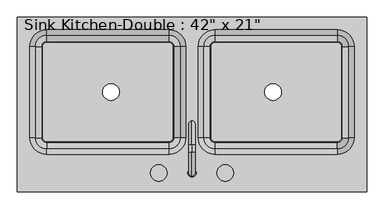
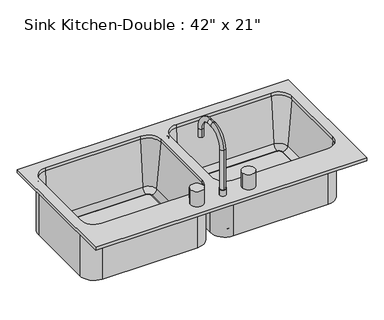
"""IFC4 building model written with IfcOpenShell, lengths in millimetres: flow terminal geometry."""

from ifc_helpers import new_model, si_unit, point, frame, frame_2d, origin, place, context, project, spatial, polyline, circle_curve, ellipse_curve, trimmed, segment, composite_curve, outline, extrude, source, transform, mapped, element, save
from ifc_brep_helpers import plane_surface, cylinder_surface, revolved_surface, advanced_brep


def flow_terminal_90aa15ff(model_context):
    return source(origin(), model_context, "Body", "SolidModel", [
        advanced_brep(
        [(2.9892406, -211.8954011, 952.5), (28.3892406, -211.8954011, 952.5), (15.6892406, -221.4204011, 952.5), (15.6892406, -202.3704011, 952.5), (28.3892406, -211.8954011, 927.1), (2.9892406, -211.8954011, 927.1), (15.6892406, -221.4204011, 1114.425), (15.6892406, -202.3704011, 1114.425), (15.6892406, -148.3954011, 1168.4), (15.6892406, -148.3954011, 1187.45), (15.6892406, -126.1704011, 1168.4), (15.6892406, -126.1704011, 1187.45), (15.6892406, -72.1954011, 1114.425), (15.6892406, -53.1454011, 1114.425), (15.6892406, -53.1454011, 1079.5), (15.6892406, -72.1954011, 1079.5)],
        [
            (0, 1, circle_curve(frame((15.6892406, -211.8954011, 952.5), z_axis=(0.0, 0.0, 1.0), x_axis=(1.0, 0.0, 0.0)), 12.7)),
            (1, 0, circle_curve(frame((15.6892406, -211.8954011, 952.5), z_axis=(0.0, 0.0, 1.0), x_axis=(1.0, 0.0, 0.0)), 12.7)),
            (2, 3, circle_curve(frame((15.6892406, -211.8954011, 952.5), z_axis=(0.0, 0.0, -1.0), x_axis=(0.0, 1.0, 0.0)), 9.525)),
            (3, 2, circle_curve(frame((15.6892406, -211.8954011, 952.5), z_axis=(0.0, 0.0, -1.0), x_axis=(0.0, 1.0, 0.0)), 9.525)),
            (1, 4),
            (4, 5, circle_curve(frame((15.6892406, -211.8954011, 927.1), z_axis=(0.0, 0.0, 1.0), x_axis=(1.0, 0.0, 0.0)), 12.7)),
            (5, 0),
            (5, 4, circle_curve(frame((15.6892406, -211.8954011, 927.1), z_axis=(0.0, 0.0, 1.0), x_axis=(1.0, 0.0, 0.0)), 12.7)),
            (6, 2),
            (3, 7),
            (7, 6, circle_curve(frame((15.6892406, -211.8954011, 1114.425), z_axis=(0.0, 0.0, -1.0), x_axis=(0.0, 1.0, 0.0)), 9.525)),
            (6, 7, circle_curve(frame((15.6892406, -211.8954011, 1114.425), z_axis=(0.0, 0.0, -1.0), x_axis=(0.0, 1.0, 0.0)), 9.525)),
            (7, 8, circle_curve(frame((15.6892406, -148.3954011, 1114.425), z_axis=(-1.0, 0.0, 0.0), x_axis=(0.0, -1.0, 0.0)), 53.975)),
            (8, 9, circle_curve(frame((15.6892406, -148.3954011, 1177.925), z_axis=(0.0, -1.0, 0.0), x_axis=(0.0, 0.0, -1.0)), 9.525)),
            (9, 6, circle_curve(frame((15.6892406, -148.3954011, 1114.425), z_axis=(1.0, 0.0, 0.0), x_axis=(0.0, -1.0, 0.0)), 73.025)),
            (9, 8, circle_curve(frame((15.6892406, -148.3954011, 1177.925), z_axis=(0.0, -1.0, 0.0), x_axis=(0.0, 0.0, -1.0)), 9.525)),
            (8, 10),
            (10, 11, circle_curve(frame((15.6892406, -126.1704011, 1177.925), z_axis=(0.0, -1.0, 0.0), x_axis=(0.0, 0.0, -1.0)), 9.525)),
            (11, 9),
            (11, 10, circle_curve(frame((15.6892406, -126.1704011, 1177.925), z_axis=(0.0, -1.0, 0.0), x_axis=(0.0, 0.0, -1.0)), 9.525)),
            (10, 12, circle_curve(frame((15.6892406, -126.1704011, 1114.425), z_axis=(-1.0, 0.0, 0.0), x_axis=(0.0, 0.0, 1.0)), 53.975)),
            (12, 13, circle_curve(frame((15.6892406, -62.6704011, 1114.425), z_axis=(0.0, 0.0, 1.0), x_axis=(0.0, -1.0, 0.0)), 9.525)),
            (13, 11, circle_curve(frame((15.6892406, -126.1704011, 1114.425), z_axis=(1.0, 0.0, 0.0), x_axis=(0.0, 0.0, 1.0)), 73.025)),
            (13, 12, circle_curve(frame((15.6892406, -62.6704011, 1114.425), z_axis=(0.0, 0.0, 1.0), x_axis=(0.0, -1.0, 0.0)), 9.525)),
            (14, 15, circle_curve(frame((15.6892406, -62.6704011, 1079.5), z_axis=(0.0, 0.0, -1.0), x_axis=(0.0, -1.0, 0.0)), 9.525)),
            (15, 14, circle_curve(frame((15.6892406, -62.6704011, 1079.5), z_axis=(0.0, 0.0, -1.0), x_axis=(0.0, -1.0, 0.0)), 9.525)),
            (12, 15),
            (14, 13),
        ],
        [
            plane_surface(frame((28.3892406, -211.8954011, 952.5), z_axis=(0.0, 0.0, 1.0), x_axis=(0.0, -1.0, 0.0))),
            cylinder_surface(frame((15.6892406, -211.8954011, 927.1), z_axis=(0.0, 0.0, 1.0), x_axis=(1.0, 0.0, 0.0)), 12.7),
            cylinder_surface(frame((15.6892406, -211.8954011, 927.1), z_axis=(0.0, 0.0, -1.0), x_axis=(0.0, 1.0, 0.0)), 9.525),
            revolved_surface(trimmed(ellipse_curve(frame((15.6892406, -211.8954011, 1114.425), z_axis=(0.0, 0.0, 1.0), x_axis=(0.0, 1.0, 0.0)), 9.525, 9.525), [point((15.6892406, -221.4204011, 1114.425))], [point((15.6892406, -202.3704011, 1114.425))], True, "CARTESIAN"), (15.6892406, -148.3954011, 1114.425), (1.0, 0.0, 0.0)),
            revolved_surface(trimmed(ellipse_curve(frame((15.6892406, -211.8954011, 1114.425), z_axis=(0.0, 0.0, 1.0), x_axis=(0.0, 1.0, 0.0)), 9.525, 9.525), [point((15.6892406, -202.3704011, 1114.425))], [point((15.6892406, -221.4204011, 1114.425))], True, "CARTESIAN"), (15.6892406, -148.3954011, 1114.425), (1.0, 0.0, 0.0)),
            cylinder_surface(frame((15.6892406, -148.3954011, 1177.925), z_axis=(0.0, -1.0, 0.0), x_axis=(0.0, 0.0, -1.0)), 9.525),
            revolved_surface(trimmed(ellipse_curve(frame((15.6892406, -126.1704011, 1177.925), z_axis=(0.0, 1.0, 0.0), x_axis=(0.0, 0.0, -1.0)), 9.525, 9.525), [point((15.6892406, -126.1704011, 1187.45))], [point((15.6892406, -126.1704011, 1168.4))], True, "CARTESIAN"), (15.6892406, -126.1704011, 1114.425), (1.0, 0.0, 0.0)),
            revolved_surface(trimmed(ellipse_curve(frame((15.6892406, -126.1704011, 1177.925), z_axis=(0.0, 1.0, 0.0), x_axis=(0.0, 0.0, -1.0)), 9.525, 9.525), [point((15.6892406, -126.1704011, 1168.4))], [point((15.6892406, -126.1704011, 1187.45))], True, "CARTESIAN"), (15.6892406, -126.1704011, 1114.425), (1.0, 0.0, 0.0)),
            plane_surface(frame((15.6892406, -53.1454011, 1079.5), z_axis=(0.0, 0.0, -1.0), x_axis=(-1.0, 0.0, 0.0))),
            cylinder_surface(frame((15.6892406, -62.6704011, 1114.425), z_axis=(0.0, 0.0, 1.0), x_axis=(0.0, -1.0, 0.0)), 9.525),
            plane_surface(frame((15.6892406, -202.3704011, 927.1), z_axis=(0.0, 0.0, -1.0), x_axis=(1.0, 0.0, 0.0))),
        ],
        [
            (0, [[1, 2], [3, 4]]),
            (1, [[5, 6, 7, -2]]),
            (1, [[-7, 8, -5, -1]]),
            (2, [[9, -4, 10, 11]]),
            (2, [[-10, -3, -9, 12]]),
            (3, [[13, 14, 15, -11]]),
            (4, [[-15, 16, -13, -12]]),
            (5, [[17, 18, 19, -14]]),
            (5, [[-19, 20, -17, -16]]),
            (6, [[21, 22, 23, -18]]),
            (7, [[-23, 24, -21, -20]]),
            (8, [[25, 26]]),
            (9, [[27, -25, 28, -22]]),
            (9, [[-28, -26, -27, -24]]),
            (10, [[-6, -8]]),
        ],
    ),
        advanced_brep(
        [(2.9892406, -103.9454011, 698.5), (2.9892406, -103.9454011, 914.4), (-54.1607594, -161.0954011, 914.4), (-54.1607594, -161.0954011, 698.5), (-54.1607594, -119.2338193, 708.025), (-54.1607594, -138.2113283, 725.4146831), (-19.8948322, -103.9454011, 725.4146831), (-38.8723412, -103.9454011, 708.025), (-54.1607594, -154.7454011, 914.4), (-3.3607594, -103.9454011, 914.4), (2.9892406, 175.4545989, 698.5), (2.9892406, 175.4545989, 914.4), (-19.8948322, 175.4545989, 725.4146831), (-38.8723412, 175.4545989, 708.025), (-3.3607594, 175.4545989, 914.4), (-54.1607594, 232.6045989, 698.5), (-54.1607594, 232.6045989, 914.4), (-54.1607594, 209.7205261, 725.4146831), (-54.1607594, 190.7430171, 708.025), (-54.1607594, 226.2545989, 914.4), (-428.8107594, 232.6045989, 698.5), (-428.8107594, 232.6045989, 914.4), (-428.8107594, 209.7205261, 725.4146831), (-428.8107594, 190.7430171, 708.025), (-428.8107594, 226.2545989, 914.4), (-485.9607594, 175.4545989, 698.5), (-485.9607594, 175.4545989, 914.4), (-463.0766866, 175.4545989, 725.4146831), (-444.0991776, 175.4545989, 708.025), (-479.6107594, 175.4545989, 914.4), (-485.9607594, -103.9454011, 698.5), (-485.9607594, -103.9454011, 914.4), (-463.0766866, -103.9454011, 725.4146831), (-444.0991776, -103.9454011, 708.025), (-479.6107594, -103.9454011, 914.4), (-428.8107594, -161.0954011, 698.5), (-428.8107594, -161.0954011, 914.4), (-428.8107594, -138.2113283, 725.4146831), (-428.8107594, -119.2338193, 708.025), (-428.8107594, -154.7454011, 914.4), (549.0892406, -269.0454011, 927.1), (549.0892406, 264.3545989, 927.1), (-517.7107594, 264.3545989, 927.1), (-517.7107594, -269.0454011, 927.1), (-54.1607594, -154.7454011, 927.1), (-428.8107594, -154.7454011, 927.1), (-479.6107594, -103.9454011, 927.1), (-479.6107594, 175.4545989, 927.1), (-428.8107594, 226.2545989, 927.1), (-54.1607594, 226.2545989, 927.1), (-3.3607594, 175.4545989, 927.1), (-3.3607594, -103.9454011, 927.1), (85.5392406, 226.2545989, 927.1), (460.1892406, 226.2545989, 927.1), (510.9892406, 175.4545989, 927.1), (510.9892406, -103.9454011, 927.1), (460.1892406, -154.7454011, 927.1), (85.5392406, -154.7454011, 927.1), (34.7392406, -103.9454011, 927.1), (34.7392406, 175.4545989, 927.1), (549.0892406, -269.0454011, 914.4), (-517.7107594, -269.0454011, 914.4), (-517.7107594, 264.3545989, 914.4), (549.0892406, 264.3545989, 914.4), (85.5392406, -161.0954011, 914.4), (460.1892406, -161.0954011, 914.4), (517.3392406, -103.9454011, 914.4), (517.3392406, 175.4545989, 914.4), (460.1892406, 232.6045989, 914.4), (85.5392406, 232.6045989, 914.4), (28.3892406, 175.4545989, 914.4), (28.3892406, -103.9454011, 914.4), (34.7392406, 175.4545989, 914.4), (85.5392406, 226.2545989, 914.4), (34.7392406, -103.9454011, 914.4), (85.5392406, -154.7454011, 914.4), (460.1892406, -154.7454011, 914.4), (510.9892406, -103.9454011, 914.4), (510.9892406, 175.4545989, 914.4), (460.1892406, 226.2545989, 914.4), (51.2733134, -103.9454011, 725.4146831), (85.5392406, -138.2113283, 725.4146831), (85.5392406, -119.2338193, 708.025), (70.2508224, -103.9454011, 708.025), (85.5392406, -116.6454011, 708.025), (72.8392406, -103.9454011, 708.025), (85.5392406, -116.6454011, 698.5), (85.5392406, -161.0954011, 698.5), (28.3892406, -103.9454011, 698.5), (72.8392406, -103.9454011, 698.5), (51.2733134, 175.4545989, 725.4146831), (70.2508224, 175.4545989, 708.025), (28.3892406, 175.4545989, 698.5), (85.5392406, 209.7205261, 725.4146831), (85.5392406, 190.7430171, 708.025), (85.5392406, 232.6045989, 698.5), (460.1892406, 209.7205261, 725.4146831), (460.1892406, 190.7430171, 708.025), (460.1892406, 232.6045989, 698.5), (494.4551678, 175.4545989, 725.4146831), (475.4776588, 175.4545989, 708.025), (517.3392406, 175.4545989, 698.5), (494.4551678, -103.9454011, 725.4146831), (475.4776588, -103.9454011, 708.025), (517.3392406, -103.9454011, 698.5), (460.1892406, -138.2113283, 725.4146831), (460.1892406, -119.2338193, 708.025), (460.1892406, -161.0954011, 698.5), (72.8392406, 175.4545989, 708.025), (72.8392406, 175.4545989, 698.5), (85.5392406, 188.1545989, 708.025), (85.5392406, 188.1545989, 698.5), (460.1892406, 188.1545989, 708.025), (460.1892406, 188.1545989, 698.5), (472.8892406, 175.4545989, 708.025), (472.8892406, 175.4545989, 698.5), (472.8892406, -103.9454011, 708.025), (472.8892406, -103.9454011, 698.5), (460.1892406, -116.6454011, 708.025), (460.1892406, -116.6454011, 698.5), (-54.1607594, -116.6454011, 698.5), (-41.4607594, -103.9454011, 698.5), (-54.1607594, -116.6454011, 708.025), (-41.4607594, -103.9454011, 708.025), (-41.4607594, 175.4545989, 698.5), (-41.4607594, 175.4545989, 708.025), (-54.1607594, 188.1545989, 698.5), (-54.1607594, 188.1545989, 708.025), (-428.8107594, 188.1545989, 698.5), (-428.8107594, 188.1545989, 708.025), (-441.5107594, 175.4545989, 698.5), (-441.5107594, 175.4545989, 708.025), (-441.5107594, -103.9454011, 698.5), (-441.5107594, -103.9454011, 708.025), (-428.8107594, -116.6454011, 698.5), (-428.8107594, -116.6454011, 708.025)],
        [
            (0, 1),
            (1, 2, circle_curve(frame((-54.1607594, -103.9454011, 914.4), z_axis=(0.0, 0.0, -1.0), x_axis=(0.0, -1.0, 0.0)), 57.15)),
            (2, 3),
            (3, 0, circle_curve(frame((-54.1607594, -103.9454011, 698.5), z_axis=(0.0, 0.0, 1.0), x_axis=(0.0, -1.0, 0.0)), 57.15)),
            (4, 5, circle_curve(frame((-54.1607594, -119.2338193, 727.075), z_axis=(-1.0, 0.0, 0.0), x_axis=(0.0, -1.0, 0.0)), 19.05)),
            (5, 6, circle_curve(frame((-54.1607594, -103.9454011, 725.4146831), z_axis=(0.0, 0.0, 1.0), x_axis=(0.0, -1.0, 0.0)), 34.2659272)),
            (6, 7, circle_curve(frame((-38.8723412, -103.9454011, 727.075), z_axis=(0.0, 1.0, 0.0), x_axis=(1.0, 0.0, 0.0)), 19.05)),
            (7, 4, circle_curve(frame((-54.1607594, -103.9454011, 708.025), z_axis=(0.0, 0.0, -1.0), x_axis=(0.0, -1.0, 0.0)), 15.2884182)),
            (5, 8),
            (8, 9, circle_curve(frame((-54.1607594, -103.9454011, 914.4), z_axis=(0.0, 0.0, 1.0), x_axis=(0.0, -1.0, 0.0)), 50.8)),
            (9, 6),
            (0, 10),
            (10, 11),
            (11, 1),
            (6, 12),
            (12, 13, circle_curve(frame((-38.8723412, 175.4545989, 727.075), z_axis=(0.0, 1.0, 0.0), x_axis=(1.0, 0.0, 0.0)), 19.05)),
            (13, 7),
            (9, 14),
            (14, 12),
            (10, 15, circle_curve(frame((-54.1607594, 175.4545989, 698.5), z_axis=(0.0, 0.0, 1.0), x_axis=(1.0, 0.0, 0.0)), 57.15)),
            (15, 16),
            (16, 11, circle_curve(frame((-54.1607594, 175.4545989, 914.4), z_axis=(0.0, 0.0, -1.0), x_axis=(1.0, 0.0, 0.0)), 57.15)),
            (12, 17, circle_curve(frame((-54.1607594, 175.4545989, 725.4146831), z_axis=(0.0, 0.0, 1.0), x_axis=(1.0, 0.0, 0.0)), 34.2659272)),
            (17, 18, circle_curve(frame((-54.1607594, 190.7430171, 727.075), z_axis=(-1.0, 0.0, 0.0), x_axis=(0.0, 1.0, 0.0)), 19.05)),
            (18, 13, circle_curve(frame((-54.1607594, 175.4545989, 708.025), z_axis=(0.0, 0.0, -1.0), x_axis=(1.0, 0.0, 0.0)), 15.2884182)),
            (14, 19, circle_curve(frame((-54.1607594, 175.4545989, 914.4), z_axis=(0.0, 0.0, 1.0), x_axis=(1.0, 0.0, 0.0)), 50.8)),
            (19, 17),
            (15, 20),
            (20, 21),
            (21, 16),
            (17, 22),
            (22, 23, circle_curve(frame((-428.8107594, 190.7430171, 727.075), z_axis=(-1.0, 0.0, 0.0), x_axis=(0.0, 1.0, 0.0)), 19.05)),
            (23, 18),
            (19, 24),
            (24, 22),
            (20, 25, circle_curve(frame((-428.8107594, 175.4545989, 698.5), z_axis=(0.0, 0.0, 1.0), x_axis=(0.0, 1.0, 0.0)), 57.15)),
            (25, 26),
            (26, 21, circle_curve(frame((-428.8107594, 175.4545989, 914.4), z_axis=(0.0, 0.0, -1.0), x_axis=(0.0, 1.0, 0.0)), 57.15)),
            (22, 27, circle_curve(frame((-428.8107594, 175.4545989, 725.4146831), z_axis=(0.0, 0.0, 1.0), x_axis=(0.0, 1.0, 0.0)), 34.2659272)),
            (27, 28, circle_curve(frame((-444.0991776, 175.4545989, 727.075), z_axis=(0.0, -1.0, 0.0), x_axis=(-1.0, 0.0, 0.0)), 19.05)),
            (28, 23, circle_curve(frame((-428.8107594, 175.4545989, 708.025), z_axis=(0.0, 0.0, -1.0), x_axis=(0.0, 1.0, 0.0)), 15.2884182)),
            (24, 29, circle_curve(frame((-428.8107594, 175.4545989, 914.4), z_axis=(0.0, 0.0, 1.0), x_axis=(0.0, 1.0, 0.0)), 50.8)),
            (29, 27),
            (25, 30),
            (30, 31),
            (31, 26),
            (27, 32),
            (32, 33, circle_curve(frame((-444.0991776, -103.9454011, 727.075), z_axis=(0.0, -1.0, 0.0), x_axis=(-1.0, 0.0, 0.0)), 19.05)),
            (33, 28),
            (29, 34),
            (34, 32),
            (30, 35, circle_curve(frame((-428.8107594, -103.9454011, 698.5), z_axis=(0.0, 0.0, 1.0), x_axis=(-1.0, 0.0, 0.0)), 57.15)),
            (35, 36),
            (36, 31, circle_curve(frame((-428.8107594, -103.9454011, 914.4), z_axis=(0.0, 0.0, -1.0), x_axis=(-1.0, 0.0, 0.0)), 57.15)),
            (32, 37, circle_curve(frame((-428.8107594, -103.9454011, 725.4146831), z_axis=(0.0, 0.0, 1.0), x_axis=(-1.0, 0.0, 0.0)), 34.2659272)),
            (37, 38, circle_curve(frame((-428.8107594, -119.2338193, 727.075), z_axis=(1.0, 0.0, 0.0), x_axis=(0.0, -1.0, 0.0)), 19.05)),
            (38, 33, circle_curve(frame((-428.8107594, -103.9454011, 708.025), z_axis=(0.0, 0.0, -1.0), x_axis=(-1.0, 0.0, 0.0)), 15.2884182)),
            (34, 39, circle_curve(frame((-428.8107594, -103.9454011, 914.4), z_axis=(0.0, 0.0, 1.0), x_axis=(-1.0, 0.0, 0.0)), 50.8)),
            (39, 37),
            (2, 36),
            (35, 3),
            (4, 38),
            (37, 5),
            (39, 8),
            (40, 41),
            (41, 42),
            (42, 43),
            (43, 40),
            (44, 45),
            (45, 46, circle_curve(frame((-428.8107594, -103.9454011, 927.1), z_axis=(0.0, 0.0, -1.0), x_axis=(1.0, 0.0, 0.0)), 50.8)),
            (46, 47),
            (47, 48, circle_curve(frame((-428.8107594, 175.4545989, 927.1), z_axis=(0.0, 0.0, -1.0), x_axis=(1.0, 0.0, 0.0)), 50.8)),
            (48, 49),
            (49, 50, circle_curve(frame((-54.1607594, 175.4545989, 927.1), z_axis=(0.0, 0.0, -1.0), x_axis=(1.0, 0.0, 0.0)), 50.8)),
            (50, 51),
            (51, 44, circle_curve(frame((-54.1607594, -103.9454011, 927.1), z_axis=(0.0, 0.0, -1.0), x_axis=(1.0, 0.0, 0.0)), 50.8)),
            (52, 53),
            (53, 54, circle_curve(frame((460.1892406, 175.4545989, 927.1), z_axis=(0.0, 0.0, -1.0), x_axis=(1.0, 0.0, 0.0)), 50.8)),
            (54, 55),
            (55, 56, circle_curve(frame((460.1892406, -103.9454011, 927.1), z_axis=(0.0, 0.0, -1.0), x_axis=(1.0, 0.0, 0.0)), 50.8)),
            (56, 57),
            (57, 58, circle_curve(frame((85.5392406, -103.9454011, 927.1), z_axis=(0.0, 0.0, -1.0), x_axis=(1.0, 0.0, 0.0)), 50.8)),
            (58, 59),
            (59, 52, circle_curve(frame((85.5392406, 175.4545989, 927.1), z_axis=(0.0, 0.0, -1.0), x_axis=(1.0, 0.0, 0.0)), 50.8)),
            (60, 61),
            (61, 62),
            (62, 63),
            (63, 60),
            (64, 65),
            (65, 66, circle_curve(frame((460.1892406, -103.9454011, 914.4), z_axis=(0.0, 0.0, 1.0), x_axis=(1.0, 0.0, 0.0)), 57.15)),
            (66, 67),
            (67, 68, circle_curve(frame((460.1892406, 175.4545989, 914.4), z_axis=(0.0, 0.0, 1.0), x_axis=(0.0, 1.0, 0.0)), 57.15)),
            (68, 69),
            (69, 70, circle_curve(frame((85.5392406, 175.4545989, 914.4), z_axis=(0.0, 0.0, 1.0), x_axis=(-1.0, 0.0, 0.0)), 57.15)),
            (70, 71),
            (71, 64, circle_curve(frame((85.5392406, -103.9454011, 914.4), z_axis=(0.0, 0.0, 1.0), x_axis=(0.0, -1.0, 0.0)), 57.15)),
            (43, 61),
            (60, 40),
            (42, 62),
            (41, 63),
            (51, 9),
            (8, 44),
            (50, 14),
            (49, 19),
            (48, 24),
            (47, 29),
            (46, 34),
            (45, 39),
            (59, 72),
            (72, 73, circle_curve(frame((85.5392406, 175.4545989, 914.4), z_axis=(0.0, 0.0, -1.0), x_axis=(1.0, 0.0, 0.0)), 50.8)),
            (73, 52),
            (58, 74),
            (74, 72),
            (57, 75),
            (75, 74, circle_curve(frame((85.5392406, -103.9454011, 914.4), z_axis=(0.0, 0.0, -1.0), x_axis=(1.0, 0.0, 0.0)), 50.8)),
            (56, 76),
            (76, 75),
            (55, 77),
            (77, 76, circle_curve(frame((460.1892406, -103.9454011, 914.4), z_axis=(0.0, 0.0, -1.0), x_axis=(1.0, 0.0, 0.0)), 50.8)),
            (54, 78),
            (78, 77),
            (53, 79),
            (79, 78, circle_curve(frame((460.1892406, 175.4545989, 914.4), z_axis=(0.0, 0.0, -1.0), x_axis=(1.0, 0.0, 0.0)), 50.8)),
            (73, 79),
            (80, 74),
            (75, 81),
            (81, 80, circle_curve(frame((85.5392406, -103.9454011, 725.4146831), z_axis=(0.0, 0.0, -1.0), x_axis=(0.0, -1.0, 0.0)), 34.2659272)),
            (81, 82, circle_curve(frame((85.5392406, -119.2338193, 727.075), z_axis=(1.0, 0.0, 0.0), x_axis=(0.0, 1.0, 0.0)), 19.05)),
            (82, 83, circle_curve(frame((85.5392406, -103.9454011, 708.025), z_axis=(0.0, 0.0, -1.0), x_axis=(0.0, -1.0, 0.0)), 15.2884182)),
            (83, 80, circle_curve(frame((70.2508224, -103.9454011, 727.075), z_axis=(0.0, 1.0, 0.0), x_axis=(1.0, 0.0, 0.0)), 19.05)),
            (82, 84),
            (84, 85, circle_curve(frame((85.5392406, -103.9454011, 708.025), z_axis=(0.0, 0.0, -1.0), x_axis=(0.0, -1.0, 0.0)), 12.7)),
            (85, 83),
            (86, 87),
            (87, 88, circle_curve(frame((85.5392406, -103.9454011, 698.5), z_axis=(0.0, 0.0, -1.0), x_axis=(0.0, -1.0, 0.0)), 57.15)),
            (88, 89),
            (89, 86, circle_curve(frame((85.5392406, -103.9454011, 698.5), z_axis=(0.0, 0.0, 1.0), x_axis=(0.0, -1.0, 0.0)), 12.7)),
            (87, 64),
            (71, 88),
            (80, 90),
            (90, 72),
            (83, 91),
            (91, 90, circle_curve(frame((70.2508224, 175.4545989, 727.075), z_axis=(0.0, 1.0, 0.0), x_axis=(1.0, 0.0, 0.0)), 19.05)),
            (70, 92),
            (92, 88),
            (90, 93, circle_curve(frame((85.5392406, 175.4545989, 725.4146831), z_axis=(0.0, 0.0, -1.0), x_axis=(-1.0, 0.0, 0.0)), 34.2659272)),
            (93, 73),
            (91, 94, circle_curve(frame((85.5392406, 175.4545989, 708.025), z_axis=(0.0, 0.0, -1.0), x_axis=(-1.0, 0.0, 0.0)), 15.2884182)),
            (94, 93, circle_curve(frame((85.5392406, 190.7430171, 727.075), z_axis=(1.0, 0.0, 0.0), x_axis=(0.0, -1.0, 0.0)), 19.05)),
            (69, 95),
            (95, 92, circle_curve(frame((85.5392406, 175.4545989, 698.5), z_axis=(0.0, 0.0, 1.0), x_axis=(-1.0, 0.0, 0.0)), 57.15)),
            (93, 96),
            (96, 79),
            (94, 97),
            (97, 96, circle_curve(frame((460.1892406, 190.7430171, 727.075), z_axis=(1.0, 0.0, 0.0), x_axis=(0.0, -1.0, 0.0)), 19.05)),
            (68, 98),
            (98, 95),
            (96, 99, circle_curve(frame((460.1892406, 175.4545989, 725.4146831), z_axis=(0.0, 0.0, -1.0), x_axis=(0.0, 1.0, 0.0)), 34.2659272)),
            (99, 78),
            (97, 100, circle_curve(frame((460.1892406, 175.4545989, 708.025), z_axis=(0.0, 0.0, -1.0), x_axis=(0.0, 1.0, 0.0)), 15.2884182)),
            (100, 99, circle_curve(frame((475.4776588, 175.4545989, 727.075), z_axis=(0.0, -1.0, 0.0), x_axis=(-1.0, 0.0, 0.0)), 19.05)),
            (67, 101),
            (101, 98, circle_curve(frame((460.1892406, 175.4545989, 698.5), z_axis=(0.0, 0.0, 1.0), x_axis=(0.0, 1.0, 0.0)), 57.15)),
            (99, 102),
            (102, 77),
            (100, 103),
            (103, 102, circle_curve(frame((475.4776588, -103.9454011, 727.075), z_axis=(0.0, -1.0, 0.0), x_axis=(-1.0, 0.0, 0.0)), 19.05)),
            (66, 104),
            (104, 101),
            (102, 105, circle_curve(frame((460.1892406, -103.9454011, 725.4146831), z_axis=(0.0, 0.0, -1.0), x_axis=(1.0, 0.0, 0.0)), 34.2659272)),
            (105, 76),
            (103, 106, circle_curve(frame((460.1892406, -103.9454011, 708.025), z_axis=(0.0, 0.0, -1.0), x_axis=(1.0, 0.0, 0.0)), 15.2884182)),
            (106, 105, circle_curve(frame((460.1892406, -119.2338193, 727.075), z_axis=(-1.0, 0.0, 0.0), x_axis=(0.0, 1.0, 0.0)), 19.05)),
            (65, 107),
            (107, 104, circle_curve(frame((460.1892406, -103.9454011, 698.5), z_axis=(0.0, 0.0, 1.0), x_axis=(1.0, 0.0, 0.0)), 57.15)),
            (105, 81),
            (106, 82),
            (87, 107),
            (84, 86),
            (89, 85),
            (85, 108),
            (108, 91),
            (89, 109),
            (109, 108),
            (92, 109),
            (108, 110, circle_curve(frame((85.5392406, 175.4545989, 708.025), z_axis=(0.0, 0.0, -1.0), x_axis=(-1.0, 0.0, 0.0)), 12.7)),
            (110, 94),
            (109, 111, circle_curve(frame((85.5392406, 175.4545989, 698.5), z_axis=(0.0, 0.0, -1.0), x_axis=(-1.0, 0.0, 0.0)), 12.7)),
            (111, 110),
            (95, 111),
            (110, 112),
            (112, 97),
            (111, 113),
            (113, 112),
            (98, 113),
            (112, 114, circle_curve(frame((460.1892406, 175.4545989, 708.025), z_axis=(0.0, 0.0, -1.0), x_axis=(0.0, 1.0, 0.0)), 12.7)),
            (114, 100),
            (113, 115, circle_curve(frame((460.1892406, 175.4545989, 698.5), z_axis=(0.0, 0.0, -1.0), x_axis=(0.0, 1.0, 0.0)), 12.7)),
            (115, 114),
            (101, 115),
            (114, 116),
            (116, 103),
            (115, 117),
            (117, 116),
            (104, 117),
            (116, 118, circle_curve(frame((460.1892406, -103.9454011, 708.025), z_axis=(0.0, 0.0, -1.0), x_axis=(1.0, 0.0, 0.0)), 12.7)),
            (118, 106),
            (117, 119, circle_curve(frame((460.1892406, -103.9454011, 698.5), z_axis=(0.0, 0.0, -1.0), x_axis=(1.0, 0.0, 0.0)), 12.7)),
            (119, 118),
            (107, 119),
            (118, 84),
            (119, 86),
            (3, 120),
            (120, 121, circle_curve(frame((-54.1607594, -103.9454011, 698.5), z_axis=(0.0, 0.0, 1.0), x_axis=(0.0, -1.0, 0.0)), 12.7)),
            (121, 0),
            (120, 122),
            (122, 123, circle_curve(frame((-54.1607594, -103.9454011, 708.025), z_axis=(0.0, 0.0, 1.0), x_axis=(0.0, -1.0, 0.0)), 12.7)),
            (123, 121),
            (122, 4),
            (7, 123),
            (121, 124),
            (124, 10),
            (123, 125),
            (125, 124),
            (13, 125),
            (124, 126, circle_curve(frame((-54.1607594, 175.4545989, 698.5), z_axis=(0.0, 0.0, 1.0), x_axis=(1.0, 0.0, 0.0)), 12.7)),
            (126, 15),
            (125, 127, circle_curve(frame((-54.1607594, 175.4545989, 708.025), z_axis=(0.0, 0.0, 1.0), x_axis=(1.0, 0.0, 0.0)), 12.7)),
            (127, 126),
            (18, 127),
            (126, 128),
            (128, 20),
            (127, 129),
            (129, 128),
            (23, 129),
            (128, 130, circle_curve(frame((-428.8107594, 175.4545989, 698.5), z_axis=(0.0, 0.0, 1.0), x_axis=(0.0, 1.0, 0.0)), 12.7)),
            (130, 25),
            (129, 131, circle_curve(frame((-428.8107594, 175.4545989, 708.025), z_axis=(0.0, 0.0, 1.0), x_axis=(0.0, 1.0, 0.0)), 12.7)),
            (131, 130),
            (28, 131),
            (130, 132),
            (132, 30),
            (131, 133),
            (133, 132),
            (33, 133),
            (132, 134, circle_curve(frame((-428.8107594, -103.9454011, 698.5), z_axis=(0.0, 0.0, 1.0), x_axis=(-1.0, 0.0, 0.0)), 12.7)),
            (134, 35),
            (133, 135, circle_curve(frame((-428.8107594, -103.9454011, 708.025), z_axis=(0.0, 0.0, 1.0), x_axis=(-1.0, 0.0, 0.0)), 12.7)),
            (135, 134),
            (38, 135),
            (134, 120),
            (135, 122),
        ],
        [
            cylinder_surface(frame((-54.1607594, -103.9454011, 0.0), z_axis=(0.0, 0.0, -1.0), x_axis=(0.0, -1.0, 0.0)), 57.15),
            revolved_surface(trimmed(ellipse_curve(frame((-54.1607594, -119.2338193, 727.075), z_axis=(-1.0, 0.0, 0.0), x_axis=(0.0, -1.0, 0.0)), 19.05, 19.05), [point((-54.1607594, -119.2338193, 708.025))], [point((-54.1607594, -138.2113283, 725.4146831))], True, "CARTESIAN"), (-54.1607594, -103.9454011, 0.0), (0.0, 0.0, -1.0)),
            revolved_surface(polyline([(-54.1607594, -138.2113283, 725.4146831), (-54.1607594, -154.7454011, 914.4)]), (-54.1607594, -103.9454011, 0.0), (0.0, 0.0, -1.0)),
            plane_surface(frame((2.9892406, -103.9454011, 914.4), z_axis=(1.0, 0.0, 0.0), x_axis=(0.0, 1.0, 0.0))),
            revolved_surface(polyline([(-19.8223412, 175.45459889999998, 727.075), (-19.8223412, -103.9454011, 727.075)]), (-38.8723412, -103.9454011, 727.075), (0.0, 1.0, 0.0)),
            plane_surface(frame((-19.8948322, -103.9454011, 725.4146831), z_axis=(-0.9961946980917439, 0.0, 0.08715574274767722), x_axis=(0.0, 1.0, 0.0))),
            cylinder_surface(frame((-54.1607594, 175.4545989, 0.0), z_axis=(0.0, 0.0, -1.0), x_axis=(1.0, 0.0, 0.0)), 57.15),
            revolved_surface(trimmed(ellipse_curve(frame((-38.8723412, 175.4545989, 727.075), z_axis=(0.0, -1.0, 0.0), x_axis=(1.0, 0.0, 0.0)), 19.05, 19.05), [point((-38.8723412, 175.4545989, 708.025))], [point((-19.8948322, 175.4545989, 725.4146831))], True, "CARTESIAN"), (-54.1607594, 175.4545989, 0.0), (0.0, 0.0, -1.0)),
            revolved_surface(polyline([(-19.8948322, 175.4545989, 725.4146831), (-3.3607594, 175.4545989, 914.4)]), (-54.1607594, 175.4545989, 0.0), (0.0, 0.0, -1.0)),
            plane_surface(frame((-54.1607594, 232.6045989, 914.4), z_axis=(0.0, 1.0, 0.0), x_axis=(-1.0, 0.0, 0.0))),
            revolved_surface(polyline([(-428.8107594, 209.79301710000001, 727.075), (-54.1607594, 209.79301710000001, 727.075)]), (-54.1607594, 190.7430171, 727.075), (-1.0, 0.0, 0.0)),
            plane_surface(frame((-54.1607594, 209.7205261, 725.4146831), z_axis=(0.0, -0.9961946980917439, 0.08715574274767722), x_axis=(-1.0, 0.0, 0.0))),
            cylinder_surface(frame((-428.8107594, 175.4545989, 0.0), z_axis=(0.0, 0.0, -1.0), x_axis=(0.0, 1.0, 0.0)), 57.15),
            revolved_surface(trimmed(ellipse_curve(frame((-428.8107594, 190.7430171, 727.075), z_axis=(1.0, 0.0, 0.0), x_axis=(0.0, 1.0, 0.0)), 19.05, 19.05), [point((-428.8107594, 190.7430171, 708.025))], [point((-428.8107594, 209.7205261, 725.4146831))], True, "CARTESIAN"), (-428.8107594, 175.4545989, 0.0), (0.0, 0.0, -1.0)),
            revolved_surface(polyline([(-428.8107594, 209.7205261, 725.4146831), (-428.8107594, 226.2545989, 914.4)]), (-428.8107594, 175.4545989, 0.0), (0.0, 0.0, -1.0)),
            plane_surface(frame((-485.9607594, 175.4545989, 914.4), z_axis=(-1.0, 0.0, 0.0), x_axis=(0.0, -1.0, 0.0))),
            revolved_surface(polyline([(-463.14917760000003, -103.94540109999997, 727.075), (-463.14917760000003, 175.4545989, 727.075)]), (-444.0991776, 175.4545989, 727.075), (0.0, -1.0, 0.0)),
            plane_surface(frame((-463.0766866, 175.4545989, 725.4146831), z_axis=(0.9961946980917439, 0.0, 0.08715574274767722), x_axis=(0.0, -1.0, 0.0))),
            cylinder_surface(frame((-428.8107594, -103.9454011, 0.0), z_axis=(0.0, 0.0, -1.0), x_axis=(-1.0, 0.0, 0.0)), 57.15),
            revolved_surface(trimmed(ellipse_curve(frame((-444.0991776, -103.9454011, 727.075), z_axis=(0.0, 1.0, 0.0), x_axis=(-1.0, 0.0, 0.0)), 19.05, 19.05), [point((-444.0991776, -103.9454011, 708.025))], [point((-463.0766866, -103.9454011, 725.4146831))], True, "CARTESIAN"), (-428.8107594, -103.9454011, 0.0), (0.0, 0.0, -1.0)),
            revolved_surface(polyline([(-463.0766866, -103.9454011, 725.4146831), (-479.6107594, -103.9454011, 914.4)]), (-428.8107594, -103.9454011, 0.0), (0.0, 0.0, -1.0)),
            plane_surface(frame((-428.8107594, -161.0954011, 914.4), z_axis=(0.0, -1.0, 0.0), x_axis=(1.0, 0.0, 0.0))),
            revolved_surface(polyline([(-54.16075940000002, -138.2838193, 727.075), (-428.8107594, -138.2838193, 727.075)]), (-428.8107594, -119.2338193, 727.075), (1.0, 0.0, 0.0)),
            plane_surface(frame((-428.8107594, -138.2113283, 725.4146831), z_axis=(0.0, 0.9961946980917439, 0.08715574274767722), x_axis=(1.0, 0.0, 0.0))),
            plane_surface(frame((-517.7107594, -269.0454011, 927.1), z_axis=(0.0, 0.0, 1.0), x_axis=(-1.0, 0.0, 0.0))),
            plane_surface(frame((-517.7107594, -269.0454011, 914.4), z_axis=(0.0, 0.0, -1.0), x_axis=(1.0, 0.0, 0.0))),
            plane_surface(frame((549.0892406, -269.0454011, 927.1), z_axis=(0.0, -1.0, 0.0), x_axis=(0.0, 0.0, -1.0))),
            plane_surface(frame((-517.7107594, -269.0454011, 927.1), z_axis=(-1.0, 0.0, 0.0), x_axis=(0.0, 0.0, -1.0))),
            plane_surface(frame((-517.7107594, 264.3545989, 927.1), z_axis=(0.0, 1.0, 0.0), x_axis=(0.0, 0.0, -1.0))),
            plane_surface(frame((549.0892406, 264.3545989, 927.1), z_axis=(1.0, 0.0, 0.0), x_axis=(0.0, 0.0, -1.0))),
            revolved_surface(polyline([(-3.3607594000000063, -103.9454011, 914.4), (-3.3607594000000063, -103.9454011, 927.1)]), (-54.1607594, -103.9454011, 0.0), (0.0, 0.0, -1.0)),
            plane_surface(frame((-3.3607594, -103.9454011, 927.1), z_axis=(-1.0, 0.0, 0.0), x_axis=(0.0, 0.0, -1.0))),
            revolved_surface(polyline([(-3.3607594000000063, 175.4545989, 914.4), (-3.3607594000000063, 175.4545989, 927.1)]), (-54.1607594, 175.4545989, 0.0), (0.0, 0.0, -1.0)),
            plane_surface(frame((-54.1607594, 226.2545989, 927.1), z_axis=(0.0, -1.0, 0.0), x_axis=(0.0, 0.0, -1.0))),
            revolved_surface(polyline([(-378.0107594, 175.4545989, 914.4), (-378.0107594, 175.4545989, 927.1)]), (-428.8107594, 175.4545989, 0.0), (0.0, 0.0, -1.0)),
            plane_surface(frame((-479.6107594, 175.4545989, 927.1), z_axis=(1.0, 0.0, 0.0), x_axis=(0.0, 0.0, -1.0))),
            revolved_surface(polyline([(-378.0107594, -103.9454011, 914.4), (-378.0107594, -103.9454011, 927.1)]), (-428.8107594, -103.9454011, 0.0), (0.0, 0.0, -1.0)),
            plane_surface(frame((-428.8107594, -154.7454011, 927.1), z_axis=(0.0, 1.0, 0.0), x_axis=(0.0, 0.0, -1.0))),
            revolved_surface(polyline([(136.33924059999998, 175.4545989, 914.4), (136.33924059999998, 175.4545989, 927.1)]), (85.5392406, 175.4545989, 0.0), (0.0, 0.0, -1.0)),
            plane_surface(frame((34.7392406, 175.4545989, 927.1), z_axis=(1.0, 0.0, 0.0), x_axis=(0.0, 0.0, -1.0))),
            revolved_surface(polyline([(136.33924059999998, -103.9454011, 914.4), (136.33924059999998, -103.9454011, 927.1)]), (85.5392406, -103.9454011, 0.0), (0.0, 0.0, -1.0)),
            plane_surface(frame((85.5392406, -154.7454011, 927.1), z_axis=(0.0, 1.0, 0.0), x_axis=(0.0, 0.0, -1.0))),
            revolved_surface(polyline([(510.9892406, -103.9454011, 914.4), (510.9892406, -103.9454011, 927.1)]), (460.1892406, -103.9454011, 0.0), (0.0, 0.0, -1.0)),
            plane_surface(frame((510.9892406, -103.9454011, 927.1), z_axis=(-1.0, 0.0, 0.0), x_axis=(0.0, 0.0, -1.0))),
            revolved_surface(polyline([(510.9892406, 175.4545989, 914.4), (510.9892406, 175.4545989, 927.1)]), (460.1892406, 175.4545989, 0.0), (0.0, 0.0, -1.0)),
            plane_surface(frame((460.1892406, 226.2545989, 927.1), z_axis=(0.0, -1.0, 0.0), x_axis=(0.0, 0.0, -1.0))),
            revolved_surface(polyline([(85.5392406, -154.7454011, 914.4), (85.5392406, -138.2113283, 725.4146831)]), (85.5392406, -103.9454011, 0.0), (0.0, 0.0, 1.0)),
            revolved_surface(trimmed(ellipse_curve(frame((85.5392406, -119.2338193, 727.075), z_axis=(1.0, 0.0, 0.0), x_axis=(0.0, 1.0, 0.0)), 19.05, 19.05), [point((85.5392406, -138.2113283, 725.4146831))], [point((85.5392406, -119.2338193, 708.025))], True, "CARTESIAN"), (85.5392406, -103.9454011, 0.0), (0.0, 0.0, 1.0)),
            plane_surface(frame((85.5392406, -103.9454011, 708.025), z_axis=(0.0, 0.0, 1.0), x_axis=(0.0, -1.0, 0.0))),
            plane_surface(frame((85.5392406, -103.9454011, 698.5), z_axis=(0.0, 0.0, -1.0), x_axis=(0.0, -1.0, 0.0))),
            cylinder_surface(frame((85.5392406, -103.9454011, 0.0), z_axis=(0.0, 0.0, 1.0), x_axis=(0.0, -1.0, 0.0)), 57.15),
            plane_surface(frame((34.7392406, -103.9454011, 914.4), z_axis=(0.996194698091745, 0.0, 0.08715574274766508), x_axis=(0.0, 1.0, 0.0))),
            revolved_surface(polyline([(89.3008224, 175.45459889999998, 727.075), (89.3008224, -103.9454011, 727.075)]), (70.2508224, -103.9454011, 727.075), (0.0, 1.0, 0.0)),
            plane_surface(frame((28.3892406, -103.9454011, 698.5), z_axis=(-1.0, 0.0, 0.0), x_axis=(0.0, 1.0, 0.0))),
            revolved_surface(polyline([(34.7392406, 175.4545989, 914.4), (51.2733134, 175.4545989, 725.4146831)]), (85.5392406, 175.4545989, 0.0), (0.0, 0.0, 1.0)),
            revolved_surface(trimmed(ellipse_curve(frame((70.2508224, 175.4545989, 727.075), z_axis=(0.0, -1.0, 0.0), x_axis=(1.0, 0.0, 0.0)), 19.05, 19.05), [point((51.2733134, 175.4545989, 725.4146831))], [point((70.2508224, 175.4545989, 708.025))], True, "CARTESIAN"), (85.5392406, 175.4545989, 0.0), (0.0, 0.0, 1.0)),
            cylinder_surface(frame((85.5392406, 175.4545989, 0.0), z_axis=(0.0, 0.0, 1.0), x_axis=(-1.0, 0.0, 0.0)), 57.15),
            plane_surface(frame((85.5392406, 226.2545989, 914.4), z_axis=(0.0, -0.996194698091745, 0.08715574274766508), x_axis=(1.0, 0.0, 0.0))),
            revolved_surface(polyline([(460.18924059999995, 171.6930171, 727.075), (85.5392406, 171.6930171, 727.075)]), (85.5392406, 190.7430171, 727.075), (1.0, 0.0, 0.0)),
            plane_surface(frame((85.5392406, 232.6045989, 698.5), z_axis=(0.0, 1.0, 0.0), x_axis=(1.0, 0.0, 0.0))),
            revolved_surface(polyline([(460.1892406, 226.2545989, 914.4), (460.1892406, 209.7205261, 725.4146831)]), (460.1892406, 175.4545989, 0.0), (0.0, 0.0, 1.0)),
            revolved_surface(trimmed(ellipse_curve(frame((460.1892406, 190.7430171, 727.075), z_axis=(-1.0, 0.0, 0.0), x_axis=(0.0, -1.0, 0.0)), 19.05, 19.05), [point((460.1892406, 209.7205261, 725.4146831))], [point((460.1892406, 190.7430171, 708.025))], True, "CARTESIAN"), (460.1892406, 175.4545989, 0.0), (0.0, 0.0, 1.0)),
            cylinder_surface(frame((460.1892406, 175.4545989, 0.0), z_axis=(0.0, 0.0, 1.0), x_axis=(0.0, 1.0, 0.0)), 57.15),
            plane_surface(frame((510.9892406, 175.4545989, 914.4), z_axis=(-0.996194698091745, 0.0, 0.08715574274766508), x_axis=(0.0, -1.0, 0.0))),
            revolved_surface(polyline([(456.42765879999996, -103.94540109999997, 727.075), (456.42765879999996, 175.4545989, 727.075)]), (475.4776588, 175.4545989, 727.075), (0.0, -1.0, 0.0)),
            plane_surface(frame((517.3392406, 175.4545989, 698.5), z_axis=(1.0, 0.0, 0.0), x_axis=(0.0, -1.0, 0.0))),
            revolved_surface(polyline([(510.9892406, -103.9454011, 914.4), (494.4551678, -103.9454011, 725.4146831)]), (460.1892406, -103.9454011, 0.0), (0.0, 0.0, 1.0)),
            revolved_surface(trimmed(ellipse_curve(frame((475.4776588, -103.9454011, 727.075), z_axis=(0.0, 1.0, 0.0), x_axis=(-1.0, 0.0, 0.0)), 19.05, 19.05), [point((494.4551678, -103.9454011, 725.4146831))], [point((475.4776588, -103.9454011, 708.025))], True, "CARTESIAN"), (460.1892406, -103.9454011, 0.0), (0.0, 0.0, 1.0)),
            cylinder_surface(frame((460.1892406, -103.9454011, 0.0), z_axis=(0.0, 0.0, 1.0), x_axis=(1.0, 0.0, 0.0)), 57.15),
            plane_surface(frame((460.1892406, -154.7454011, 914.4), z_axis=(0.0, 0.996194698091745, 0.08715574274766508), x_axis=(-1.0, 0.0, 0.0))),
            revolved_surface(polyline([(85.53924060000003, -100.1838193, 727.075), (460.1892406, -100.1838193, 727.075)]), (460.1892406, -119.2338193, 727.075), (-1.0, 0.0, 0.0)),
            plane_surface(frame((460.1892406, -161.0954011, 698.5), z_axis=(0.0, -1.0, 0.0), x_axis=(-1.0, 0.0, 0.0))),
            revolved_surface(polyline([(85.5392406, -116.6454011, 708.025), (85.5392406, -116.6454011, 698.5)]), (85.5392406, -103.9454011, 0.0), (0.0, 0.0, 1.0)),
            plane_surface(frame((70.2508224, -103.9454011, 708.025), z_axis=(0.0, 0.0, 1.0), x_axis=(0.0, 1.0, 0.0))),
            plane_surface(frame((72.8392406, -103.9454011, 708.025), z_axis=(1.0, 0.0, 0.0), x_axis=(0.0, 1.0, 0.0))),
            plane_surface(frame((72.8392406, -103.9454011, 698.5), z_axis=(0.0, 0.0, -1.0), x_axis=(0.0, 1.0, 0.0))),
            plane_surface(frame((85.5392406, 175.4545989, 708.025), z_axis=(0.0, 0.0, 1.0), x_axis=(-1.0, 0.0, 0.0))),
            revolved_surface(polyline([(72.8392406, 175.4545989, 708.025), (72.8392406, 175.4545989, 698.5)]), (85.5392406, 175.4545989, 0.0), (0.0, 0.0, 1.0)),
            plane_surface(frame((85.5392406, 175.4545989, 698.5), z_axis=(0.0, 0.0, -1.0), x_axis=(-1.0, 0.0, 0.0))),
            plane_surface(frame((85.5392406, 190.7430171, 708.025), z_axis=(0.0, 0.0, 1.0), x_axis=(1.0, 0.0, 0.0))),
            plane_surface(frame((85.5392406, 188.1545989, 708.025), z_axis=(0.0, -1.0, 0.0), x_axis=(1.0, 0.0, 0.0))),
            plane_surface(frame((85.5392406, 188.1545989, 698.5), z_axis=(0.0, 0.0, -1.0), x_axis=(1.0, 0.0, 0.0))),
            plane_surface(frame((460.1892406, 175.4545989, 708.025), z_axis=(0.0, 0.0, 1.0), x_axis=(0.0, 1.0, 0.0))),
            revolved_surface(polyline([(460.1892406, 188.1545989, 708.025), (460.1892406, 188.1545989, 698.5)]), (460.1892406, 175.4545989, 0.0), (0.0, 0.0, 1.0)),
            plane_surface(frame((460.1892406, 175.4545989, 698.5), z_axis=(0.0, 0.0, -1.0), x_axis=(0.0, 1.0, 0.0))),
            plane_surface(frame((475.4776588, 175.4545989, 708.025), z_axis=(0.0, 0.0, 1.0), x_axis=(0.0, -1.0, 0.0))),
            plane_surface(frame((472.8892406, 175.4545989, 708.025), z_axis=(-1.0, 0.0, 0.0), x_axis=(0.0, -1.0, 0.0))),
            plane_surface(frame((472.8892406, 175.4545989, 698.5), z_axis=(0.0, 0.0, -1.0), x_axis=(0.0, -1.0, 0.0))),
            plane_surface(frame((460.1892406, -103.9454011, 708.025), z_axis=(0.0, 0.0, 1.0), x_axis=(1.0, 0.0, 0.0))),
            revolved_surface(polyline([(472.8892406, -103.9454011, 708.025), (472.8892406, -103.9454011, 698.5)]), (460.1892406, -103.9454011, 0.0), (0.0, 0.0, 1.0)),
            plane_surface(frame((460.1892406, -103.9454011, 698.5), z_axis=(0.0, 0.0, -1.0), x_axis=(1.0, 0.0, 0.0))),
            plane_surface(frame((460.1892406, -119.2338193, 708.025), z_axis=(0.0, 0.0, 1.0), x_axis=(-1.0, 0.0, 0.0))),
            plane_surface(frame((460.1892406, -116.6454011, 708.025), z_axis=(0.0, 1.0, 0.0), x_axis=(-1.0, 0.0, 0.0))),
            plane_surface(frame((460.1892406, -116.6454011, 698.5), z_axis=(0.0, 0.0, -1.0), x_axis=(-1.0, 0.0, 0.0))),
            plane_surface(frame((-54.1607594, -103.9454011, 698.5), z_axis=(0.0, 0.0, -1.0), x_axis=(0.0, -1.0, 0.0))),
            revolved_surface(polyline([(-54.1607594, -116.6454011, 698.5), (-54.1607594, -116.6454011, 708.025)]), (-54.1607594, -103.9454011, 0.0), (0.0, 0.0, -1.0)),
            plane_surface(frame((-54.1607594, -103.9454011, 708.025), z_axis=(0.0, 0.0, 1.0), x_axis=(0.0, -1.0, 0.0))),
            plane_surface(frame((2.9892406, -103.9454011, 698.5), z_axis=(0.0, 0.0, -1.0), x_axis=(0.0, 1.0, 0.0))),
            plane_surface(frame((-41.4607594, -103.9454011, 698.5), z_axis=(-1.0, 0.0, 0.0), x_axis=(0.0, 1.0, 0.0))),
            plane_surface(frame((-41.4607594, -103.9454011, 708.025), z_axis=(0.0, 0.0, 1.0), x_axis=(0.0, 1.0, 0.0))),
            plane_surface(frame((-54.1607594, 175.4545989, 698.5), z_axis=(0.0, 0.0, -1.0), x_axis=(1.0, 0.0, 0.0))),
            revolved_surface(polyline([(-41.4607594, 175.4545989, 698.5), (-41.4607594, 175.4545989, 708.025)]), (-54.1607594, 175.4545989, 0.0), (0.0, 0.0, -1.0)),
            plane_surface(frame((-54.1607594, 175.4545989, 708.025), z_axis=(0.0, 0.0, 1.0), x_axis=(1.0, 0.0, 0.0))),
            plane_surface(frame((-54.1607594, 232.6045989, 698.5), z_axis=(0.0, 0.0, -1.0), x_axis=(-1.0, 0.0, 0.0))),
            plane_surface(frame((-54.1607594, 188.1545989, 698.5), z_axis=(0.0, -1.0, 0.0), x_axis=(-1.0, 0.0, 0.0))),
            plane_surface(frame((-54.1607594, 188.1545989, 708.025), z_axis=(0.0, 0.0, 1.0), x_axis=(-1.0, 0.0, 0.0))),
            plane_surface(frame((-428.8107594, 175.4545989, 698.5), z_axis=(0.0, 0.0, -1.0), x_axis=(0.0, 1.0, 0.0))),
            revolved_surface(polyline([(-428.8107594, 188.1545989, 698.5), (-428.8107594, 188.1545989, 708.025)]), (-428.8107594, 175.4545989, 0.0), (0.0, 0.0, -1.0)),
            plane_surface(frame((-428.8107594, 175.4545989, 708.025), z_axis=(0.0, 0.0, 1.0), x_axis=(0.0, 1.0, 0.0))),
            plane_surface(frame((-485.9607594, 175.4545989, 698.5), z_axis=(0.0, 0.0, -1.0), x_axis=(0.0, -1.0, 0.0))),
            plane_surface(frame((-441.5107594, 175.4545989, 698.5), z_axis=(1.0, 0.0, 0.0), x_axis=(0.0, -1.0, 0.0))),
            plane_surface(frame((-441.5107594, 175.4545989, 708.025), z_axis=(0.0, 0.0, 1.0), x_axis=(0.0, -1.0, 0.0))),
            plane_surface(frame((-428.8107594, -103.9454011, 698.5), z_axis=(0.0, 0.0, -1.0), x_axis=(-1.0, 0.0, 0.0))),
            revolved_surface(polyline([(-441.5107594, -103.9454011, 698.5), (-441.5107594, -103.9454011, 708.025)]), (-428.8107594, -103.9454011, 0.0), (0.0, 0.0, -1.0)),
            plane_surface(frame((-428.8107594, -103.9454011, 708.025), z_axis=(0.0, 0.0, 1.0), x_axis=(-1.0, 0.0, 0.0))),
            plane_surface(frame((-428.8107594, -161.0954011, 698.5), z_axis=(0.0, 0.0, -1.0), x_axis=(1.0, 0.0, 0.0))),
            plane_surface(frame((-428.8107594, -116.6454011, 698.5), z_axis=(0.0, 1.0, 0.0), x_axis=(1.0, 0.0, 0.0))),
            plane_surface(frame((-428.8107594, -116.6454011, 708.025), z_axis=(0.0, 0.0, 1.0), x_axis=(1.0, 0.0, 0.0))),
        ],
        [
            (0, [[1, 2, 3, 4]]),
            (1, [[5, 6, 7, 8]]),
            (2, [[9, 10, 11, -6]]),
            (3, [[12, 13, 14, -1]]),
            (4, [[15, 16, 17, -7]]),
            (5, [[18, 19, -15, -11]]),
            (6, [[20, 21, 22, -13]]),
            (7, [[23, 24, 25, -16]]),
            (8, [[26, 27, -23, -19]]),
            (9, [[28, 29, 30, -21]]),
            (10, [[31, 32, 33, -24]]),
            (11, [[34, 35, -31, -27]]),
            (12, [[36, 37, 38, -29]]),
            (13, [[39, 40, 41, -32]]),
            (14, [[42, 43, -39, -35]]),
            (15, [[44, 45, 46, -37]]),
            (16, [[47, 48, 49, -40]]),
            (17, [[50, 51, -47, -43]]),
            (18, [[52, 53, 54, -45]]),
            (19, [[55, 56, 57, -48]]),
            (20, [[58, 59, -55, -51]]),
            (21, [[60, -53, 61, -3]]),
            (22, [[62, -56, 63, -5]]),
            (23, [[-63, -59, 64, -9]]),
            (24, [[65, 66, 67, 68], [69, 70, 71, 72, 73, 74, 75, 76], [77, 78, 79, 80, 81, 82, 83, 84]]),
            (25, [[85, 86, 87, 88], [89, 90, 91, 92, 93, 94, 95, 96], [-14, -22, -30, -38, -46, -54, -60, -2]]),
            (26, [[97, -85, 98, -68]]),
            (27, [[99, -86, -97, -67]]),
            (28, [[100, -87, -99, -66]]),
            (29, [[-98, -88, -100, -65]]),
            (30, [[101, -10, 102, -76]]),
            (31, [[103, -18, -101, -75]]),
            (32, [[104, -26, -103, -74]]),
            (33, [[105, -34, -104, -73]]),
            (34, [[106, -42, -105, -72]]),
            (35, [[107, -50, -106, -71]]),
            (36, [[108, -58, -107, -70]]),
            (37, [[-102, -64, -108, -69]]),
            (38, [[109, 110, 111, -84]]),
            (39, [[112, 113, -109, -83]]),
            (40, [[114, 115, -112, -82]]),
            (41, [[116, 117, -114, -81]]),
            (42, [[118, 119, -116, -80]]),
            (43, [[120, 121, -118, -79]]),
            (44, [[122, 123, -120, -78]]),
            (45, [[-111, 124, -122, -77]]),
            (46, [[125, -115, 126, 127]]),
            (47, [[128, 129, 130, -127]]),
            (48, [[131, 132, 133, -129]]),
            (49, [[134, 135, 136, 137]]),
            (50, [[138, -96, 139, -135]]),
            (51, [[140, 141, -113, -125]]),
            (52, [[142, 143, -140, -130]]),
            (53, [[-95, 144, 145, -139]]),
            (54, [[146, 147, -110, -141]]),
            (55, [[148, 149, -146, -143]]),
            (56, [[-94, 150, 151, -144]]),
            (57, [[152, 153, -124, -147]]),
            (58, [[154, 155, -152, -149]]),
            (59, [[-93, 156, 157, -150]]),
            (60, [[158, 159, -123, -153]]),
            (61, [[160, 161, -158, -155]]),
            (62, [[-92, 162, 163, -156]]),
            (63, [[164, 165, -121, -159]]),
            (64, [[166, 167, -164, -161]]),
            (65, [[-91, 168, 169, -162]]),
            (66, [[170, 171, -119, -165]]),
            (67, [[172, 173, -170, -167]]),
            (68, [[-90, 174, 175, -168]]),
            (69, [[-117, -171, 176, -126]]),
            (70, [[-176, -173, 177, -128]]),
            (71, [[178, -174, -89, -138]]),
            (72, [[179, -137, 180, -132]]),
            (73, [[181, 182, -142, -133]]),
            (74, [[183, 184, -181, -180]]),
            (75, [[-145, 185, -183, -136]]),
            (76, [[186, 187, -148, -182]]),
            (77, [[188, 189, -186, -184]]),
            (78, [[-151, 190, -188, -185]]),
            (79, [[191, 192, -154, -187]]),
            (80, [[193, 194, -191, -189]]),
            (81, [[-157, 195, -193, -190]]),
            (82, [[196, 197, -160, -192]]),
            (83, [[198, 199, -196, -194]]),
            (84, [[-163, 200, -198, -195]]),
            (85, [[201, 202, -166, -197]]),
            (86, [[203, 204, -201, -199]]),
            (87, [[-169, 205, -203, -200]]),
            (88, [[206, 207, -172, -202]]),
            (89, [[208, 209, -206, -204]]),
            (90, [[-175, 210, -208, -205]]),
            (91, [[-177, -207, 211, -131]]),
            (92, [[-211, -209, 212, -179]]),
            (93, [[-212, -210, -178, -134]]),
            (94, [[213, 214, 215, -4]]),
            (95, [[216, 217, 218, -214]]),
            (96, [[219, -8, 220, -217]]),
            (97, [[221, 222, -12, -215]]),
            (98, [[223, 224, -221, -218]]),
            (99, [[-17, 225, -223, -220]]),
            (100, [[226, 227, -20, -222]]),
            (101, [[228, 229, -226, -224]]),
            (102, [[-25, 230, -228, -225]]),
            (103, [[231, 232, -28, -227]]),
            (104, [[233, 234, -231, -229]]),
            (105, [[-33, 235, -233, -230]]),
            (106, [[236, 237, -36, -232]]),
            (107, [[238, 239, -236, -234]]),
            (108, [[-41, 240, -238, -235]]),
            (109, [[241, 242, -44, -237]]),
            (110, [[243, 244, -241, -239]]),
            (111, [[-49, 245, -243, -240]]),
            (112, [[246, 247, -52, -242]]),
            (113, [[248, 249, -246, -244]]),
            (114, [[-57, 250, -248, -245]]),
            (115, [[-61, -247, 251, -213]]),
            (116, [[-251, -249, 252, -216]]),
            (117, [[-252, -250, -62, -219]]),
        ],
    ),
        extrude(outline(composite_curve([segment(polyline([(460.1892406, -119.2338193), (85.5392406, -119.2338193)]), True, "CONTINUOUS"), segment(trimmed(circle_curve(frame_2d((85.5392406, -106.5338193)), 12.7), [point((85.5392406, -119.2338193))], [point((72.8392406, -106.5338193))], False, "CARTESIAN"), True, "CONTINUOUS"), segment(polyline([(72.8392406, -106.5338193), (72.8392406, 175.4545989)]), True, "CONTINUOUS"), segment(trimmed(circle_curve(frame_2d((85.5392406, 175.4545989)), 12.7), [point((72.8392406, 175.4545989))], [point((85.5392406, 188.1545989))], False, "CARTESIAN"), True, "CONTINUOUS"), segment(polyline([(85.5392406, 188.1545989), (460.1892406, 188.1545989)]), True, "CONTINUOUS"), segment(trimmed(circle_curve(frame_2d((460.1892406, 175.4545989)), 12.7), [point((460.1892406, 188.1545989))], [point((472.8892406, 175.4545989))], False, "CARTESIAN"), True, "CONTINUOUS"), segment(polyline([(472.8892406, 175.4545989), (472.8892406, -106.5338193)]), True, "CONTINUOUS"), segment(trimmed(circle_curve(frame_2d((460.1892406, -106.5338193)), 12.7), [point((472.8892406, -106.5338193))], [point((460.1892406, -119.2338193))], False, "CARTESIAN"), True, "CONTINUOUS")], self_intersect=False), holes=[composite_curve([segment(trimmed(circle_curve(frame_2d((263.3392406, 35.7545989)), 25.4), [point((237.9392406, 35.7545989))], [point((288.7392406, 35.7545989))], True, "CARTESIAN"), True, "CONTINUOUS"), segment(trimmed(circle_curve(frame_2d((263.3392406, 35.7545989)), 25.4), [point((288.7392406, 35.7545989))], [point((237.9392406, 35.7545989))], True, "CARTESIAN"), True, "CONTINUOUS")], self_intersect=False)]), frame((0.0, 0.0, 698.5), z_axis=(0.0, 0.0, 1.0), x_axis=(1.0, 0.0, 0.0)), (0.0, 0.0, 1.0), 9.525),
        extrude(outline(composite_curve([segment(trimmed(circle_curve(frame_2d((-85.9107594, -211.8954011)), 25.4), [point((-111.3107594, -211.8954011))], [point((-60.5107594, -211.8954011))], False, "CARTESIAN"), True, "CONTINUOUS"), segment(trimmed(circle_curve(frame_2d((-85.9107594, -211.8954011)), 25.4), [point((-60.5107594, -211.8954011))], [point((-111.3107594, -211.8954011))], False, "CARTESIAN"), True, "CONTINUOUS")], self_intersect=False)), frame((0.0, 0.0, 927.1), z_axis=(0.0, 0.0, 1.0), x_axis=(1.0, 0.0, 0.0)), (0.0, 0.0, 1.0), 63.5),
        extrude(outline(composite_curve([segment(trimmed(circle_curve(frame_2d((117.2892406, -211.8954011)), 25.4), [point((91.8892406, -211.8954011))], [point((142.6892406, -211.8954011))], False, "CARTESIAN"), True, "CONTINUOUS"), segment(trimmed(circle_curve(frame_2d((117.2892406, -211.8954011)), 25.4), [point((142.6892406, -211.8954011))], [point((91.8892406, -211.8954011))], False, "CARTESIAN"), True, "CONTINUOUS")], self_intersect=False)), frame((0.0, 0.0, 927.1), z_axis=(0.0, 0.0, 1.0), x_axis=(1.0, 0.0, 0.0)), (0.0, 0.0, 1.0), 63.5),
        extrude(outline(composite_curve([segment(polyline([(-54.1607594, -116.6454011), (-428.8107594, -116.6454011)]), True, "CONTINUOUS"), segment(trimmed(circle_curve(frame_2d((-428.8107594, -103.9454011)), 12.7), [point((-428.8107594, -116.6454011))], [point((-441.5107594, -103.9454011))], False, "CARTESIAN"), True, "CONTINUOUS"), segment(polyline([(-441.5107594, -103.9454011), (-441.5107594, 175.4545989)]), True, "CONTINUOUS"), segment(trimmed(circle_curve(frame_2d((-428.8107594, 175.4545989)), 12.7), [point((-441.5107594, 175.4545989))], [point((-428.8107594, 188.1545989))], False, "CARTESIAN"), True, "CONTINUOUS"), segment(polyline([(-428.8107594, 188.1545989), (-54.1607594, 188.1545989)]), True, "CONTINUOUS"), segment(trimmed(circle_curve(frame_2d((-54.1607594, 175.4545989)), 12.7), [point((-54.1607594, 188.1545989))], [point((-41.4607594, 175.4545989))], False, "CARTESIAN"), True, "CONTINUOUS"), segment(polyline([(-41.4607594, 175.4545989), (-41.4607594, -103.9454011)]), True, "CONTINUOUS"), segment(trimmed(circle_curve(frame_2d((-54.1607594, -103.9454011)), 12.7), [point((-41.4607594, -103.9454011))], [point((-54.1607594, -116.6454011))], False, "CARTESIAN"), True, "CONTINUOUS")], self_intersect=False), holes=[composite_curve([segment(trimmed(circle_curve(frame_2d((-231.9607594, 35.7545989)), 25.4), [point((-257.3607594, 35.7545989))], [point((-206.5607594, 35.7545989))], True, "CARTESIAN"), True, "CONTINUOUS"), segment(trimmed(circle_curve(frame_2d((-231.9607594, 35.7545989)), 25.4), [point((-206.5607594, 35.7545989))], [point((-257.3607594, 35.7545989))], True, "CARTESIAN"), True, "CONTINUOUS")], self_intersect=False)]), frame((0.0, 0.0, 698.5), z_axis=(0.0, 0.0, 1.0), x_axis=(1.0, 0.0, 0.0)), (0.0, 0.0, 1.0), 9.525),
    ])


if __name__ == "__main__":
    model = new_model("IFC4")
    model_context = context("Model", 3, world=origin())
    ifc_project = project(units=[si_unit("LENGTHUNIT", "METRE", prefix="MILLI")], contexts=[model_context])
    site = spatial("IfcSite", under=ifc_project)
    building = spatial("IfcBuilding", under=site)
    placement = place(None, origin())
    flow_terminal_shape = flow_terminal_90aa15ff(model_context)
    element("IfcFlowTerminal", 1, ObjectType="Sink Kitchen-Double : 42\" x 21\"", at=placement, inside=building, context=model_context, shape_type="MappedRepresentation", body=[
        mapped(flow_terminal_shape, transform((0.0, 0.0, 0.0), x_axis=(1.0, 0.0, 0.0), y_axis=(0.0, 1.0, 0.0), z_axis=(0.0, 0.0, 1.0))),
    ])
    save(model, "model.ifc")
